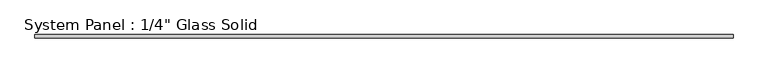
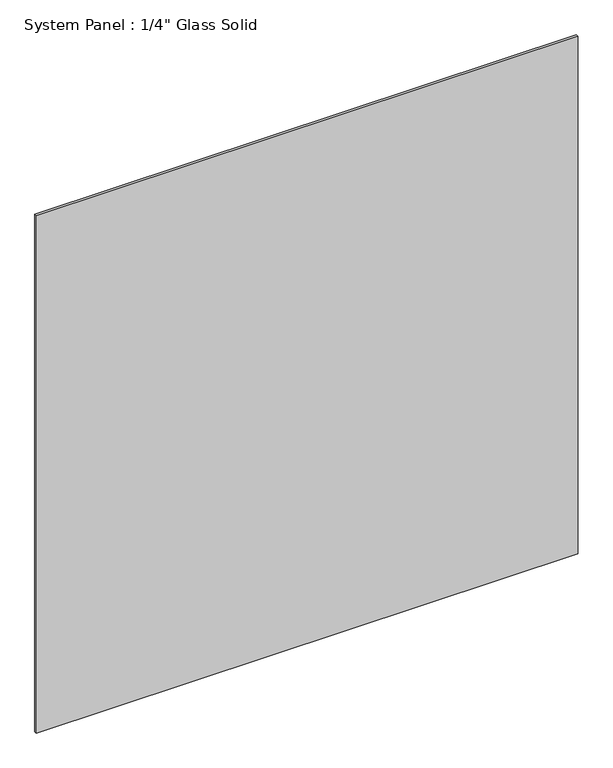
"""IFC4 building model written with IfcOpenShell, lengths in millimetres: plate geometry."""

from ifc_helpers import new_model, si_unit, origin, origin_with_axes, place, context, project, spatial, polyline, outline, extrude, source, transform, mapped, element, save


def plate_24a8bd57(model_context):
    return source(origin(), model_context, "Body", "SweptSolid", [
        extrude(outline(polyline([(716.4429024, -3.175), (-716.4429024, -3.175), (-716.4429024, 3.175), (716.4429024, 3.175), (716.4429024, -3.175)])), origin_with_axes(), (0.0, 0.0, 1.0), 1446.5317704),
    ])


if __name__ == "__main__":
    model = new_model("IFC4")
    model_context = context("Model", 3, world=origin())
    ifc_project = project(units=[si_unit("LENGTHUNIT", "METRE", prefix="MILLI")], contexts=[model_context])
    site = spatial("IfcSite", under=ifc_project)
    building = spatial("IfcBuilding", under=site)
    placement = place(None, origin())
    plate_shape = plate_24a8bd57(model_context)
    element("IfcPlate", 1, ObjectType="System Panel : 1/4\" Glass Solid", at=placement, inside=building, context=model_context, shape_type="MappedRepresentation", body=[
        mapped(plate_shape, transform((0.0, 0.0, 0.0), x_axis=(1.0, 0.0, 0.0), y_axis=(0.0, 1.0, 0.0), z_axis=(0.0, 0.0, 1.0))),
    ])
    save(model, "model.ifc")
